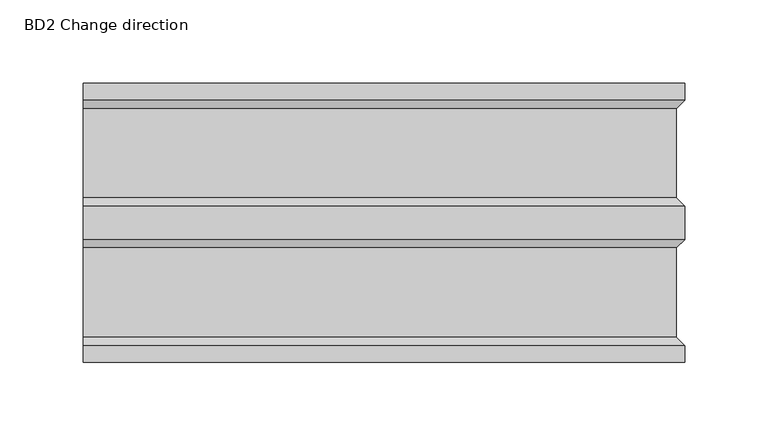
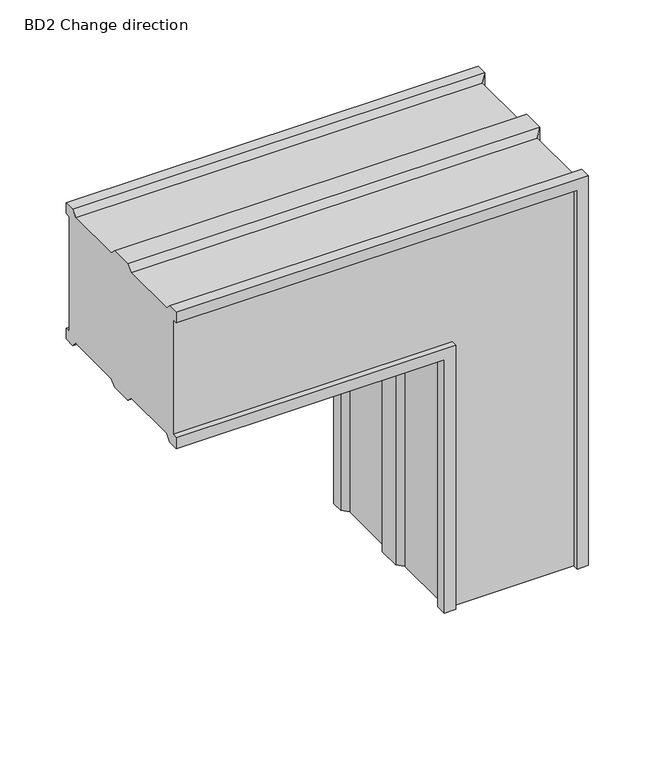
"""IFC4 building model written with IfcOpenShell, lengths in millimetres: proxy geometry, BD2 Change direction."""

from ifc_helpers import new_model, si_unit, origin, place, context, project, spatial, faceted_brep, source, transform, mapped, element, save


def bd2_change_direction_f549245e(model_context):
    return source(origin(), model_context, "Body", "Brep", [
        faceted_brep([(0.0, 162.0, 116.0), (0.0, 162.0, 10.0), (0.0, 167.0, 10.0), (0.0, 167.0, 0.0), (0.0, 157.0, 0.0), (0.0, 152.0, 5.0), (0.0, 98.5, 5.0), (0.0, 93.5, 0.0), (0.0, 73.5, 0.0), (0.0, 68.5, 5.0), (0.0, 15.0, 5.0), (0.0, 10.0, 0.0), (0.0, 0.0, 0.0), (0.0, 0.0, 10.0), (0.0, 5.0, 10.0), (0.0, 5.0, 116.0), (0.0, 0.0, 116.0), (0.0, 0.0, 126.0), (0.0, 10.0, 126.0), (0.0, 15.0, 121.0), (0.0, 68.5, 121.0), (0.0, 73.5, 126.0), (0.0, 93.5, 126.0), (0.0, 98.5, 121.0), (0.0, 152.0, 121.0), (0.0, 157.0, 126.0), (0.0, 167.0, 126.0), (0.0, 167.0, 116.0), (350.0, 162.0, -234.0), (350.0, 167.0, -234.0), (360.0, 167.0, -234.0), (360.0, 157.0, -234.0), (355.0, 152.0, -234.0), (355.0, 98.5, -234.0), (360.0, 93.5, -234.0), (360.0, 73.5, -234.0), (355.0, 68.5, -234.0), (355.0, 15.0, -234.0), (360.0, 10.0, -234.0), (360.0, 0.0, -234.0), (350.0, 0.0, -234.0), (350.0, 5.0, -234.0), (244.0, 5.0, -234.0), (244.0, 0.0, -234.0), (234.0, 0.0, -234.0), (234.0, 10.0, -234.0), (239.0, 15.0, -234.0), (239.0, 68.5, -234.0), (234.0, 73.5, -234.0), (234.0, 93.5, -234.0), (239.0, 98.5, -234.0), (239.0, 152.0, -234.0), (234.0, 157.0, -234.0), (234.0, 167.0, -234.0), (244.0, 167.0, -234.0), (244.0, 162.0, -234.0), (350.0, 162.0, 116.0), (244.0, 162.0, 10.0), (244.0, 167.0, 10.0), (234.0, 167.0, 0.0), (234.0, 157.0, 0.0), (239.0, 152.0, 5.0), (239.0, 98.5, 5.0), (234.0, 93.5, 0.0), (234.0, 73.5, 0.0), (239.0, 68.5, 5.0), (239.0, 15.0, 5.0), (234.0, 10.0, 0.0), (234.0, 0.0, 0.0), (244.0, 0.0, 10.0), (244.0, 5.0, 10.0), (350.0, 5.0, 116.0), (350.0, 0.0, 116.0), (360.0, 0.0, 126.0), (360.0, 10.0, 126.0), (355.0, 15.0, 121.0), (355.0, 68.5, 121.0), (360.0, 73.5, 126.0), (360.0, 93.5, 126.0), (355.0, 98.5, 121.0), (355.0, 152.0, 121.0), (360.0, 157.0, 126.0), (360.0, 167.0, 126.0), (350.0, 167.0, 116.0)], [[[0, 1, 2, 3, 4, 5, 6, 7, 8, 9, 10, 11, 12, 13, 14, 15, 16, 17, 18, 19, 20, 21, 22, 23, 24, 25, 26, 27]], [[28, 29, 30, 31, 32, 33, 34, 35, 36, 37, 38, 39, 40, 41, 42, 43, 44, 45, 46, 47, 48, 49, 50, 51, 52, 53, 54, 55]], [[1, 0, 56, 28, 55, 57]], [[2, 1, 57, 58]], [[3, 2, 58, 54, 53, 59]], [[4, 3, 59, 60]], [[5, 4, 60, 61]], [[6, 5, 61, 62]], [[7, 6, 62, 63]], [[8, 7, 63, 64]], [[9, 8, 64, 65]], [[10, 9, 65, 66]], [[11, 10, 66, 67]], [[12, 11, 67, 68]], [[13, 12, 68, 44, 43, 69]], [[14, 13, 69, 70]], [[15, 14, 70, 42, 41, 71]], [[16, 15, 71, 72]], [[17, 16, 72, 40, 39, 73]], [[18, 17, 73, 74]], [[19, 18, 74, 75]], [[20, 19, 75, 76]], [[21, 20, 76, 77]], [[22, 21, 77, 78]], [[23, 22, 78, 79]], [[24, 23, 79, 80]], [[25, 24, 80, 81]], [[26, 25, 81, 82]], [[27, 26, 82, 30, 29, 83]], [[0, 27, 83, 56]], [[58, 57, 55, 54]], [[60, 59, 53, 52]], [[61, 60, 52, 51]], [[62, 61, 51, 50]], [[63, 62, 50, 49]], [[64, 63, 49, 48]], [[65, 64, 48, 47]], [[66, 65, 47, 46]], [[67, 66, 46, 45]], [[68, 67, 45, 44]], [[70, 69, 43, 42]], [[72, 71, 41, 40]], [[74, 73, 39, 38]], [[75, 74, 38, 37]], [[76, 75, 37, 36]], [[77, 76, 36, 35]], [[78, 77, 35, 34]], [[79, 78, 34, 33]], [[80, 79, 33, 32]], [[81, 80, 32, 31]], [[82, 81, 31, 30]], [[56, 83, 29, 28]]]),
    ])


if __name__ == "__main__":
    model = new_model("IFC4")
    model_context = context("Model", 3, world=origin())
    ifc_project = project(units=[si_unit("LENGTHUNIT", "METRE", prefix="MILLI")], contexts=[model_context])
    site = spatial("IfcSite", under=ifc_project)
    building = spatial("IfcBuilding", under=site)
    placement = place(None, origin())
    bd2_change_direction_shape = bd2_change_direction_f549245e(model_context)
    element("IfcBuildingElementProxy", 1, Name="BD2 Change direction", ObjectType="BD2 Change direction", at=placement, inside=building, context=model_context, shape_type="MappedRepresentation", body=[
        mapped(bd2_change_direction_shape, transform((0.0, 0.0, 0.0), x_axis=(1.0, 0.0, 0.0), y_axis=(0.0, 1.0, 0.0), z_axis=(0.0, 0.0, 1.0))),
    ])
    save(model, "model.ifc")
